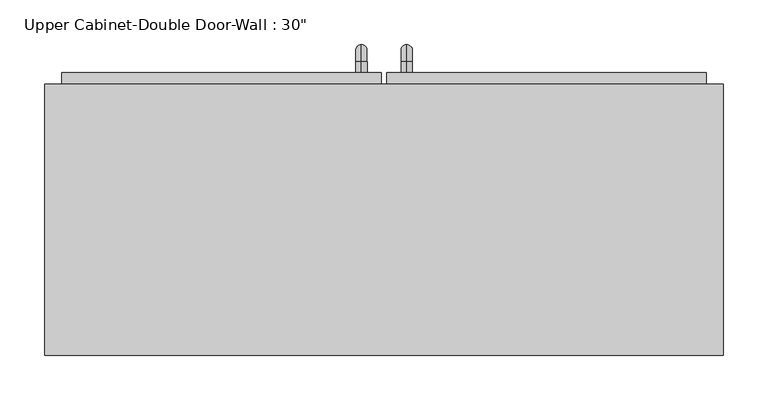
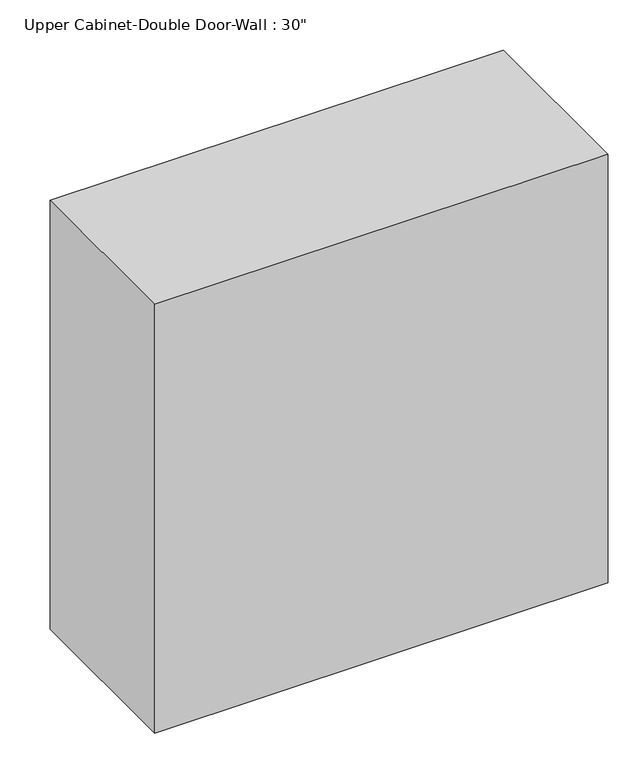
"""IFC4 building model written with IfcOpenShell, lengths in millimetres: furniture geometry."""

import ifcopenshell
import ifcopenshell.guid

model = None  # the IFC model being written
_history = None  # IfcOwnerHistory: only IFC2X3 demands one
_inside = {}  # id of a spatial element -> (the spatial element, [elements in it])
_under = {}  # id of a project, library or spatial element -> (it, [spatial elements below it])
_declared = {}  # id of a project -> (the project, [libraries it declares])
_typed = {}  # id of a type object -> (the type object, [elements of that type])
_made_of = {}  # id of a material, layer set ... -> (it, [elements and type objects made of it])


def new_model(schema):
    """Start an empty IFC model of exactly this schema.

    Asked for "IFC4X3", IfcOpenShell would pick the latest addendum, in which some entities
    have other attributes; the version numbers below select the first issue.
    IFC2X3 requires an IfcOwnerHistory on every rooted entity: one is made here for all.
    """
    global model, _history
    if schema == "IFC4X3":
        model = ifcopenshell.file(schema_version=(4, 3, 0, 0))
    else:
        model = ifcopenshell.file(schema=schema)
    _inside.clear()
    _under.clear()
    _declared.clear()
    _typed.clear()
    _made_of.clear()
    _history = None
    if model.schema == "IFC2X3":
        org = make("IfcOrganization", Name="unknown")
        user = make(
            "IfcPersonAndOrganization",
            ThePerson=make("IfcPerson", FamilyName="unknown"),
            TheOrganization=org,
        )
        app = make(
            "IfcApplication",
            ApplicationDeveloper=org,
            Version="unknown",
            ApplicationFullName="unknown",
            ApplicationIdentifier="unknown",
        )
        _history = make(
            "IfcOwnerHistory",
            OwningUser=user,
            OwningApplication=app,
            ChangeAction="ADDED",
            CreationDate=0,
        )
    return model


def make(cls, **values):
    """One entity of the class cls with the attributes given. An attribute that is None is left unset."""
    return model.create_entity(
        cls, **{name: value for name, value in values.items() if value is not None}
    )


def rooted(cls, **values):
    """An entity with a GlobalId (a new one), such as an element, a storey or a relation."""
    return make(cls, GlobalId=ifcopenshell.guid.new(), OwnerHistory=_history, **values)


def si_unit(unit_type, name, prefix=None):
    """IfcSIUnit, for example si_unit("LENGTHUNIT", "METRE", prefix="MILLI")."""
    return make("IfcSIUnit", UnitType=unit_type, Prefix=prefix, Name=name)


def assignment(units):
    """IfcUnitAssignment: the units of a project."""
    return None if units is None else make("IfcUnitAssignment", Units=units)


def point(xyz):
    """IfcCartesianPoint."""
    return None if xyz is None else make("IfcCartesianPoint", Coordinates=xyz)


def direction(xyz):
    """IfcDirection."""
    return None if xyz is None else make("IfcDirection", DirectionRatios=xyz)


def frame(location, z_axis=None, x_axis=None):
    """IfcAxis2Placement3D, a coordinate frame: its origin and axes. An axis left out is left unset."""
    return make(
        "IfcAxis2Placement3D",
        Location=point(location),
        Axis=direction(z_axis),
        RefDirection=direction(x_axis),
    )


def origin():
    """The frame at (0, 0, 0) with its axes left unset."""
    return frame((0.0, 0.0, 0.0))


def place(relative_to, where):
    """IfcLocalPlacement: puts the frame where relative to a parent placement (None: the world)."""
    return make(
        "IfcLocalPlacement", PlacementRelTo=relative_to, RelativePlacement=where
    )


def context(
    kind, dimensions, precision=None, world=None, true_north=None, identifier=None
):
    """IfcGeometricRepresentationContext, for example the 3D "Model" context."""
    return make(
        "IfcGeometricRepresentationContext",
        ContextIdentifier=identifier,
        ContextType=kind,
        CoordinateSpaceDimension=dimensions,
        Precision=precision,
        WorldCoordinateSystem=world,
        TrueNorth=true_north,
    )


def project(units=None, contexts=None):
    """IfcProject with its units and contexts."""
    return rooted(
        "IfcProject",
        Name="project",
        RepresentationContexts=contexts,
        UnitsInContext=assignment(units),
    )


def spatial(cls, under=None, at=None, **own):
    """A site, building, storey or space (cls), placed at a placement, below another one or the project."""
    s = rooted(cls, ObjectPlacement=at, **own)
    if under is not None:
        _under.setdefault(under.id(), (under, []))[1].append(s)
    return s


def polyline(points):
    """IfcPolyline through the points."""
    return make("IfcPolyline", Points=[point(p) for p in points])


def circle_curve(where, radius):
    """IfcCircle in the frame where."""
    return make("IfcCircle", Position=where, Radius=radius)


def ellipse_curve(where, semi_axis1, semi_axis2):
    """IfcEllipse in the frame where."""
    return make(
        "IfcEllipse", Position=where, SemiAxis1=semi_axis1, SemiAxis2=semi_axis2
    )


def trimmed(basis, trim1, trim2, sense, master):
    """IfcTrimmedCurve: the piece of a basis curve between two trims."""
    return make(
        "IfcTrimmedCurve",
        BasisCurve=basis,
        Trim1=trim1,
        Trim2=trim2,
        SenseAgreement=sense,
        MasterRepresentation=master,
    )


def outline(outer, holes=None, kind="AREA"):
    """IfcArbitraryClosedProfileDef: a profile drawn as a closed curve; with holes, ...WithVoids."""
    if holes is None:
        return make("IfcArbitraryClosedProfileDef", ProfileType=kind, OuterCurve=outer)
    return make(
        "IfcArbitraryProfileDefWithVoids",
        ProfileType=kind,
        OuterCurve=outer,
        InnerCurves=holes,
    )


def extrude(swept, where, along, depth):
    """IfcExtrudedAreaSolid: the profile swept, set in the frame where, extruded along a direction by depth."""
    return make(
        "IfcExtrudedAreaSolid",
        SweptArea=swept,
        Position=where,
        ExtrudedDirection=direction(along),
        Depth=depth,
    )


def faces_of(points, faces, orient=None, outer=None):
    """IfcFace entities. A face is a list of loops; a loop is a list of indices into points, from 0.

    orient and outer hold one flag for each loop. By default every Orientation is true, the
    first loop of a face is its IfcFaceOuterBound and the others are IfcFaceBound.
    """
    made = []
    for i, loops in enumerate(faces):
        bounds = []
        for j, loop in enumerate(loops):
            is_outer = j == 0 if outer is None else outer[i][j]
            bounds.append(
                make(
                    "IfcFaceOuterBound" if is_outer else "IfcFaceBound",
                    Bound=make("IfcPolyLoop", Polygon=[points[k] for k in loop]),
                    Orientation=True if orient is None else orient[i][j],
                )
            )
        made.append(make("IfcFace", Bounds=bounds))
    return made


def faceted_brep(points, faces, orient=None, outer=None, voids=None):
    """IfcFacetedBrep: a solid bounded by flat faces; with voids (closed shells), ...WithVoids."""
    shared = [point(p) for p in points]
    hull = make("IfcClosedShell", CfsFaces=faces_of(shared, faces, orient, outer))
    if voids is None:
        return make("IfcFacetedBrep", Outer=hull)
    return make(
        "IfcFacetedBrepWithVoids",
        Outer=hull,
        Voids=[
            make(cls, CfsFaces=faces_of(shared, fs, o, b)) for cls, fs, o, b in voids
        ],
    )


def shape(context_of_items, identifier, shape_type, items):
    """IfcShapeRepresentation: the items that make up one representation, for example the "Body"."""
    return make(
        "IfcShapeRepresentation",
        ContextOfItems=context_of_items,
        RepresentationIdentifier=identifier,
        RepresentationType=shape_type,
        Items=items,
    )


def source(mapping_origin, context_of_items, identifier, shape_type, items):
    """IfcRepresentationMap: a shape defined once, which mapped items show again and again."""
    return make(
        "IfcRepresentationMap",
        MappingOrigin=mapping_origin,
        MappedRepresentation=shape(context_of_items, identifier, shape_type, items),
    )


def transform(
    local_origin,
    x_axis=None,
    y_axis=None,
    z_axis=None,
    scale=None,
    scale2=None,
    scale3=None,
    uniform=True,
):
    """IfcCartesianTransformationOperator3D, or its non-uniform kind. x_axis, y_axis, z_axis: its Axis1, 2, 3."""
    if uniform:
        return make(
            "IfcCartesianTransformationOperator3D",
            Axis1=direction(x_axis),
            Axis2=direction(y_axis),
            LocalOrigin=point(local_origin),
            Scale=scale,
            Axis3=direction(z_axis),
        )
    return make(
        "IfcCartesianTransformationOperator3DnonUniform",
        Axis1=direction(x_axis),
        Axis2=direction(y_axis),
        LocalOrigin=point(local_origin),
        Scale=scale,
        Axis3=direction(z_axis),
        Scale2=scale2,
        Scale3=scale3,
    )


def mapped(mapping_source, mapping_target):
    """IfcMappedItem: shows the shape of a source again, moved by a transform."""
    return make(
        "IfcMappedItem", MappingSource=mapping_source, MappingTarget=mapping_target
    )


def made_of(thing, what):
    """Note that an element or type object is made of a material, layer set ...; save() writes the relation."""
    if what is not None:
        _made_of.setdefault(what.id(), (what, []))[1].append(thing)
    return thing


def element(
    cls,
    number,
    at=None,
    inside=None,
    cuts=None,
    type_object=None,
    material=None,
    context=None,
    identifier="Body",
    shape_type=None,
    held_by="IfcProductDefinitionShape",
    body=None,
    shapes=None,
    **own,
):
    """One element of the class cls, such as IfcWall. Its Tag is "e" and its number.

    at: its placement. inside: the storey or other place that contains it. cuts: it is an
    opening in that element (IfcRelVoidsElement). A single representation is given by context,
    identifier, shape_type and body (its items); several are given by shapes. held_by: the class
    of the entity that holds the representations. save() writes the other relations.
    """
    e = rooted(cls, Tag="e%d" % number, ObjectPlacement=at, **own)
    if body is not None:
        shapes = [shape(context, identifier, shape_type, body)]
    if shapes is not None:
        e.Representation = make(held_by, Representations=shapes)
    if inside is not None:
        _inside.setdefault(inside.id(), (inside, []))[1].append(e)
    if cuts is not None:
        rooted(
            "IfcRelVoidsElement", RelatingBuildingElement=cuts, RelatedOpeningElement=e
        )
    if type_object is not None:
        _typed.setdefault(type_object.id(), (type_object, []))[1].append(e)
    return made_of(e, material)


def aggregate(whole, parts):
    """IfcRelAggregates: a whole, such as a stair, and the parts it consists of."""
    return rooted("IfcRelAggregates", RelatingObject=whole, RelatedObjects=parts)


def save(model, path):
    """Write the relations noted so far, then the file.

    IfcRelAggregates (storeys below a building ...), IfcRelContainedInSpatialStructure (elements
    in a storey), IfcRelDefinesByType, IfcRelAssociatesMaterial and IfcRelDeclares: one each for
    every whole, place, type object, material and project.
    """
    for whole, parts in _under.values():
        aggregate(whole, parts)
    for where, things in _inside.values():
        rooted(
            "IfcRelContainedInSpatialStructure",
            RelatedElements=things,
            RelatingStructure=where,
        )
    for kind, things in _typed.values():
        rooted("IfcRelDefinesByType", RelatedObjects=things, RelatingType=kind)
    for what, things in _made_of.values():
        rooted("IfcRelAssociatesMaterial", RelatedObjects=things, RelatingMaterial=what)
    for by, libraries in _declared.values():
        rooted("IfcRelDeclares", RelatingContext=by, RelatedDefinitions=libraries)
    model.write(path)


def plane_surface(at):
    """IfcPlane: the flat surface through the origin of the frame at, square to its z axis."""
    return make("IfcPlane", Position=at)


def cylinder_surface(at, radius):
    """IfcCylindricalSurface: all points at the distance radius from the z axis of the frame at."""
    return make("IfcCylindricalSurface", Position=at, Radius=radius)


def revolved_surface(curve, axis_point, axis_direction):
    """IfcSurfaceOfRevolution: the curve turned about the line through axis_point along axis_direction."""
    return make(
        "IfcSurfaceOfRevolution",
        SweptCurve=make("IfcArbitraryOpenProfileDef", ProfileType="CURVE", Curve=curve),
        AxisPosition=make("IfcAxis1Placement", Location=point(axis_point), Axis=direction(axis_direction)),
    )


def advanced_brep(points, edges, surfaces, faces):
    """IfcAdvancedBrep: a solid bounded by faces that lie on surfaces and meet in shared edges.

    An edge is (start, end): straight between two places in points (the first is 0);
    or (start, end, curve); or (start, end, curve, False) where it runs against its curve.
    A face is (place in surfaces, loops), or (place, loops, False) where it looks against
    its surface's normal. A loop lists edges by number (the first is 1), with a minus sign
    where the edge is run from its end to its start. The first loop is the outer one.
    """
    corners = [point(p) for p in points]
    vertices = [make("IfcVertexPoint", VertexGeometry=c) for c in corners]
    made = []
    for start, end, *more in edges:
        made.append(
            make(
                "IfcEdgeCurve",
                EdgeStart=vertices[start],
                EdgeEnd=vertices[end],
                EdgeGeometry=more[0] if more else make("IfcPolyline", Points=[corners[start], corners[end]]),
                SameSense=more[1] if len(more) > 1 else True,
            )
        )
    hull = []
    for where, loops, *sense in faces:
        bounds = []
        for j, loop in enumerate(loops):
            ring = [make("IfcOrientedEdge", EdgeElement=made[abs(k) - 1], Orientation=k > 0) for k in loop]
            bounds.append(
                make(
                    "IfcFaceOuterBound" if j == 0 else "IfcFaceBound",
                    Bound=make("IfcEdgeLoop", EdgeList=ring),
                    Orientation=True,
                )
            )
        hull.append(make("IfcAdvancedFace", Bounds=bounds, FaceSurface=surfaces[where], SameSense=sense[0] if sense else True))
    return make("IfcAdvancedBrep", Outer=make("IfcClosedShell", CfsFaces=hull))


def furniture_a6d46f38(model_context):
    return source(origin(), model_context, "Body", "SolidModel", [
        faceted_brep([(-351.2288372, 61.9125, 2133.6), (-351.2288372, 61.9125, 1371.6), (410.7711628, 61.9125, 1371.6), (410.7711628, 61.9125, 2133.6), (-351.2288372, 366.7125, 2133.6), (410.7711628, 366.7125, 2133.6), (410.7711628, 366.7125, 1371.6), (-351.2288372, 366.7125, 1371.6), (-332.1788372, 366.7125, 2114.55), (-332.1788372, 366.7125, 1390.65), (391.7211628, 366.7125, 1390.65), (391.7211628, 366.7125, 2114.55), (391.7211628, 80.9625, 2114.55), (-332.1788372, 80.9625, 2114.55), (391.7211628, 80.9625, 1390.65), (-332.1788372, 80.9625, 1390.65)], [[[0, 1, 2, 3]], [[4, 5, 6, 7], [8, 9, 10, 11]], [[1, 0, 4, 7]], [[2, 1, 7, 6]], [[3, 2, 6, 5]], [[0, 3, 5, 4]], [[8, 11, 12, 13]], [[11, 10, 14, 12]], [[10, 9, 15, 14]], [[9, 8, 13, 15]], [[13, 12, 14, 15]]]),
        advanced_brep(
        [(55.1711628, 379.4125, 1517.65), (55.1711628, 379.4125, 1530.35), (55.1711628, 392.1125, 1517.65), (55.1711628, 392.1125, 1530.35), (55.1711628, 411.1625, 1511.3), (55.1711628, 398.4625, 1511.3), (55.1711628, 398.4625, 1435.1), (55.1711628, 411.1625, 1435.1), (55.1711628, 392.1125, 1416.05), (55.1711628, 392.1125, 1428.75), (55.1711628, 379.4125, 1428.75), (55.1711628, 379.4125, 1416.05)],
        [
            (0, 1, circle_curve(frame((55.1711628, 379.4125, 1524.0), z_axis=(0.0, -1.0, 0.0), x_axis=(0.0, 0.0, -1.0)), 6.35)),
            (1, 0, circle_curve(frame((55.1711628, 379.4125, 1524.0), z_axis=(0.0, -1.0, 0.0), x_axis=(0.0, 0.0, -1.0)), 6.35)),
            (0, 2),
            (2, 3, circle_curve(frame((55.1711628, 392.1125, 1524.0), z_axis=(0.0, -1.0, 0.0), x_axis=(0.0, 0.0, -1.0)), 6.35)),
            (3, 1),
            (3, 2, circle_curve(frame((55.1711628, 392.1125, 1524.0), z_axis=(0.0, -1.0, 0.0), x_axis=(0.0, 0.0, -1.0)), 6.35)),
            (4, 3, circle_curve(frame((55.1711628, 392.1125, 1511.3), z_axis=(1.0, 0.0, 0.0), x_axis=(0.0, 0.0, 1.0)), 19.05)),
            (2, 5, circle_curve(frame((55.1711628, 392.1125, 1511.3), z_axis=(-1.0, 0.0, 0.0), x_axis=(0.0, 0.0, 1.0)), 6.35)),
            (5, 4, circle_curve(frame((55.1711628, 404.8125, 1511.3), z_axis=(0.0, 0.0, 1.0), x_axis=(0.0, -1.0, 0.0)), 6.35)),
            (4, 5, circle_curve(frame((55.1711628, 404.8125, 1511.3), z_axis=(0.0, 0.0, 1.0), x_axis=(0.0, -1.0, 0.0)), 6.35)),
            (5, 6),
            (6, 7, circle_curve(frame((55.1711628, 404.8125, 1435.1), z_axis=(0.0, 0.0, 1.0), x_axis=(0.0, -1.0, 0.0)), 6.35)),
            (7, 4),
            (7, 6, circle_curve(frame((55.1711628, 404.8125, 1435.1), z_axis=(0.0, 0.0, 1.0), x_axis=(0.0, -1.0, 0.0)), 6.35)),
            (8, 7, circle_curve(frame((55.1711628, 392.1125, 1435.1), z_axis=(1.0, 0.0, 0.0), x_axis=(0.0, 1.0, 0.0)), 19.05)),
            (6, 9, circle_curve(frame((55.1711628, 392.1125, 1435.1), z_axis=(-1.0, 0.0, 0.0), x_axis=(0.0, 1.0, 0.0)), 6.35)),
            (9, 8, circle_curve(frame((55.1711628, 392.1125, 1422.4), z_axis=(0.0, 1.0, 0.0), x_axis=(0.0, 0.0, 1.0)), 6.35)),
            (8, 9, circle_curve(frame((55.1711628, 392.1125, 1422.4), z_axis=(0.0, 1.0, 0.0), x_axis=(0.0, 0.0, 1.0)), 6.35)),
            (10, 11, circle_curve(frame((55.1711628, 379.4125, 1422.4), z_axis=(0.0, -1.0, 0.0), x_axis=(0.0, 0.0, 1.0)), 6.35)),
            (11, 10, circle_curve(frame((55.1711628, 379.4125, 1422.4), z_axis=(0.0, -1.0, 0.0), x_axis=(0.0, 0.0, 1.0)), 6.35)),
            (9, 10),
            (11, 8),
        ],
        [
            plane_surface(frame((48.8211628, 379.4125, 1524.0), z_axis=(0.0, -1.0, 0.0), x_axis=(0.0, 0.0, 1.0))),
            cylinder_surface(frame((55.1711628, 379.4125, 1524.0), z_axis=(0.0, -1.0, 0.0), x_axis=(0.0, 0.0, -1.0)), 6.35),
            revolved_surface(trimmed(ellipse_curve(frame((55.1711628, 392.1125, 1524.0), z_axis=(0.0, -1.0, 0.0), x_axis=(0.0, 0.0, -1.0)), 6.35, 6.35), [point((55.1711628, 392.1125, 1517.65))], [point((55.1711628, 392.1125, 1530.35))], True, "CARTESIAN"), (55.1711628, 392.1125, 1511.3), (-1.0, 0.0, 0.0)),
            revolved_surface(trimmed(ellipse_curve(frame((55.1711628, 392.1125, 1524.0), z_axis=(0.0, -1.0, 0.0), x_axis=(0.0, 0.0, -1.0)), 6.35, 6.35), [point((55.1711628, 392.1125, 1530.35))], [point((55.1711628, 392.1125, 1517.65))], True, "CARTESIAN"), (55.1711628, 392.1125, 1511.3), (-1.0, 0.0, 0.0)),
            cylinder_surface(frame((55.1711628, 404.8125, 1511.3), z_axis=(0.0, 0.0, 1.0), x_axis=(0.0, -1.0, 0.0)), 6.35),
            revolved_surface(trimmed(ellipse_curve(frame((55.1711628, 404.8125, 1435.1), z_axis=(0.0, 0.0, 1.0), x_axis=(0.0, -1.0, 0.0)), 6.35, 6.35), [point((55.1711628, 398.4625, 1435.1))], [point((55.1711628, 411.1625, 1435.1))], True, "CARTESIAN"), (55.1711628, 392.1125, 1435.1), (-1.0, 0.0, 0.0)),
            revolved_surface(trimmed(ellipse_curve(frame((55.1711628, 404.8125, 1435.1), z_axis=(0.0, 0.0, 1.0), x_axis=(0.0, -1.0, 0.0)), 6.35, 6.35), [point((55.1711628, 411.1625, 1435.1))], [point((55.1711628, 398.4625, 1435.1))], True, "CARTESIAN"), (55.1711628, 392.1125, 1435.1), (-1.0, 0.0, 0.0)),
            plane_surface(frame((48.8211628, 379.4125, 1422.4), z_axis=(0.0, -1.0, 0.0), x_axis=(0.0, 0.0, -1.0))),
            cylinder_surface(frame((55.1711628, 392.1125, 1422.4), z_axis=(0.0, 1.0, 0.0), x_axis=(0.0, 0.0, 1.0)), 6.35),
        ],
        [
            (0, [[1, 2]]),
            (1, [[-1, 3, 4, 5]]),
            (1, [[-2, -5, 6, -3]]),
            (2, [[7, -4, 8, 9]]),
            (3, [[-8, -6, -7, 10]]),
            (4, [[-9, 11, 12, 13]]),
            (4, [[-10, -13, 14, -11]]),
            (5, [[15, -12, 16, 17]]),
            (6, [[-16, -14, -15, 18]]),
            (7, [[19, 20]]),
            (8, [[-17, 21, -20, 22]]),
            (8, [[-18, -22, -19, -21]]),
        ],
    ),
        advanced_brep(
        [(4.3711628, 379.4125, 1517.65), (4.3711628, 379.4125, 1530.35), (4.3711628, 392.1125, 1517.65), (4.3711628, 392.1125, 1530.35), (4.3711628, 411.1625, 1511.3), (4.3711628, 398.4625, 1511.3), (4.3711628, 398.4625, 1435.1), (4.3711628, 411.1625, 1435.1), (4.3711628, 392.1125, 1416.05), (4.3711628, 392.1125, 1428.75), (4.3711628, 379.4125, 1428.75), (4.3711628, 379.4125, 1416.05)],
        [
            (0, 1, circle_curve(frame((4.3711628, 379.4125, 1524.0), z_axis=(0.0, -1.0, 0.0), x_axis=(0.0, 0.0, 1.0)), 6.35)),
            (1, 0, circle_curve(frame((4.3711628, 379.4125, 1524.0), z_axis=(0.0, -1.0, 0.0), x_axis=(0.0, 0.0, 1.0)), 6.35)),
            (0, 2),
            (2, 3, circle_curve(frame((4.3711628, 392.1125, 1524.0), z_axis=(0.0, -1.0, 0.0), x_axis=(0.0, 0.0, 1.0)), 6.35)),
            (3, 1),
            (3, 2, circle_curve(frame((4.3711628, 392.1125, 1524.0), z_axis=(0.0, -1.0, 0.0), x_axis=(0.0, 0.0, 1.0)), 6.35)),
            (4, 3, circle_curve(frame((4.3711628, 392.1125, 1511.3), z_axis=(1.0, 0.0, 0.0), x_axis=(0.0, 0.0, 1.0)), 19.05)),
            (2, 5, circle_curve(frame((4.3711628, 392.1125, 1511.3), z_axis=(-1.0, 0.0, 0.0), x_axis=(0.0, 0.0, 1.0)), 6.35)),
            (5, 4, circle_curve(frame((4.3711628, 404.8125, 1511.3), z_axis=(0.0, 0.0, 1.0), x_axis=(0.0, 1.0, 0.0)), 6.35)),
            (4, 5, circle_curve(frame((4.3711628, 404.8125, 1511.3), z_axis=(0.0, 0.0, 1.0), x_axis=(0.0, 1.0, 0.0)), 6.35)),
            (5, 6),
            (6, 7, circle_curve(frame((4.3711628, 404.8125, 1435.1), z_axis=(0.0, 0.0, 1.0), x_axis=(0.0, 1.0, 0.0)), 6.35)),
            (7, 4),
            (7, 6, circle_curve(frame((4.3711628, 404.8125, 1435.1), z_axis=(0.0, 0.0, 1.0), x_axis=(0.0, 1.0, 0.0)), 6.35)),
            (8, 7, circle_curve(frame((4.3711628, 392.1125, 1435.1), z_axis=(1.0, 0.0, 0.0), x_axis=(0.0, 1.0, 0.0)), 19.05)),
            (6, 9, circle_curve(frame((4.3711628, 392.1125, 1435.1), z_axis=(-1.0, 0.0, 0.0), x_axis=(0.0, 1.0, 0.0)), 6.35)),
            (9, 8, circle_curve(frame((4.3711628, 392.1125, 1422.4), z_axis=(0.0, 1.0, 0.0), x_axis=(0.0, 0.0, -1.0)), 6.35)),
            (8, 9, circle_curve(frame((4.3711628, 392.1125, 1422.4), z_axis=(0.0, 1.0, 0.0), x_axis=(0.0, 0.0, -1.0)), 6.35)),
            (10, 11, circle_curve(frame((4.3711628, 379.4125, 1422.4), z_axis=(0.0, -1.0, 0.0), x_axis=(0.0, 0.0, -1.0)), 6.35)),
            (11, 10, circle_curve(frame((4.3711628, 379.4125, 1422.4), z_axis=(0.0, -1.0, 0.0), x_axis=(0.0, 0.0, -1.0)), 6.35)),
            (9, 10),
            (11, 8),
        ],
        [
            plane_surface(frame((-1.9788372, 379.4125, 1524.0), z_axis=(0.0, -1.0, 0.0), x_axis=(0.0, 0.0, 1.0))),
            cylinder_surface(frame((4.3711628, 379.4125, 1524.0), z_axis=(0.0, -1.0, 0.0), x_axis=(0.0, 0.0, 1.0)), 6.35),
            revolved_surface(trimmed(ellipse_curve(frame((4.3711628, 392.1125, 1524.0), z_axis=(0.0, -1.0, 0.0), x_axis=(0.0, 0.0, 1.0)), 6.35, 6.35), [point((4.3711628, 392.1125, 1517.65))], [point((4.3711628, 392.1125, 1530.35))], True, "CARTESIAN"), (4.3711628, 392.1125, 1511.3), (-1.0, 0.0, 0.0)),
            revolved_surface(trimmed(ellipse_curve(frame((4.3711628, 392.1125, 1524.0), z_axis=(0.0, -1.0, 0.0), x_axis=(0.0, 0.0, 1.0)), 6.35, 6.35), [point((4.3711628, 392.1125, 1530.35))], [point((4.3711628, 392.1125, 1517.65))], True, "CARTESIAN"), (4.3711628, 392.1125, 1511.3), (-1.0, 0.0, 0.0)),
            cylinder_surface(frame((4.3711628, 404.8125, 1511.3), z_axis=(0.0, 0.0, 1.0), x_axis=(0.0, 1.0, 0.0)), 6.35),
            revolved_surface(trimmed(ellipse_curve(frame((4.3711628, 404.8125, 1435.1), z_axis=(0.0, 0.0, 1.0), x_axis=(0.0, 1.0, 0.0)), 6.35, 6.35), [point((4.3711628, 398.4625, 1435.1))], [point((4.3711628, 411.1625, 1435.1))], True, "CARTESIAN"), (4.3711628, 392.1125, 1435.1), (-1.0, 0.0, 0.0)),
            revolved_surface(trimmed(ellipse_curve(frame((4.3711628, 404.8125, 1435.1), z_axis=(0.0, 0.0, 1.0), x_axis=(0.0, 1.0, 0.0)), 6.35, 6.35), [point((4.3711628, 411.1625, 1435.1))], [point((4.3711628, 398.4625, 1435.1))], True, "CARTESIAN"), (4.3711628, 392.1125, 1435.1), (-1.0, 0.0, 0.0)),
            plane_surface(frame((-1.9788372, 379.4125, 1422.4), z_axis=(0.0, -1.0, 0.0), x_axis=(0.0, 0.0, -1.0))),
            cylinder_surface(frame((4.3711628, 392.1125, 1422.4), z_axis=(0.0, 1.0, 0.0), x_axis=(0.0, 0.0, -1.0)), 6.35),
        ],
        [
            (0, [[1, 2]]),
            (1, [[-1, 3, 4, 5]]),
            (1, [[-2, -5, 6, -3]]),
            (2, [[7, -4, 8, 9]]),
            (3, [[-8, -6, -7, 10]]),
            (4, [[-9, 11, 12, 13]]),
            (4, [[-10, -13, 14, -11]]),
            (5, [[15, -12, 16, 17]]),
            (6, [[-16, -14, -15, 18]]),
            (7, [[19, 20]]),
            (8, [[-17, 21, -20, 22]]),
            (8, [[-18, -22, -19, -21]]),
        ],
    ),
        extrude(outline(polyline([(32.9461628, 379.4125), (391.7211628, 379.4125), (391.7211628, 347.6625), (32.9461628, 347.6625), (32.9461628, 379.4125)])), frame((0.0, 0.0, 1390.65), z_axis=(0.0, 0.0, 1.0), x_axis=(1.0, 0.0, 0.0)), (0.0, 0.0, 1.0), 723.9),
        extrude(outline(polyline([(-332.1788372, 379.4125), (26.5961628, 379.4125), (26.5961628, 347.6625), (-332.1788372, 347.6625), (-332.1788372, 379.4125)])), frame((0.0, 0.0, 1390.65), z_axis=(0.0, 0.0, 1.0), x_axis=(1.0, 0.0, 0.0)), (0.0, 0.0, 1.0), 723.9),
    ])


if __name__ == "__main__":
    model = new_model("IFC4")
    model_context = context("Model", 3, world=origin())
    ifc_project = project(units=[si_unit("LENGTHUNIT", "METRE", prefix="MILLI")], contexts=[model_context])
    site = spatial("IfcSite", under=ifc_project)
    building = spatial("IfcBuilding", under=site)
    placement = place(None, origin())
    furniture_shape = furniture_a6d46f38(model_context)
    element("IfcFurniture", 1, ObjectType="Upper Cabinet-Double Door-Wall : 30\"", at=placement, inside=building, context=model_context, shape_type="MappedRepresentation", body=[
        mapped(furniture_shape, transform((0.0, 0.0, 0.0), x_axis=(1.0, 0.0, 0.0), y_axis=(0.0, 1.0, 0.0), z_axis=(0.0, 0.0, 1.0))),
    ])
    save(model, "model.ifc")
